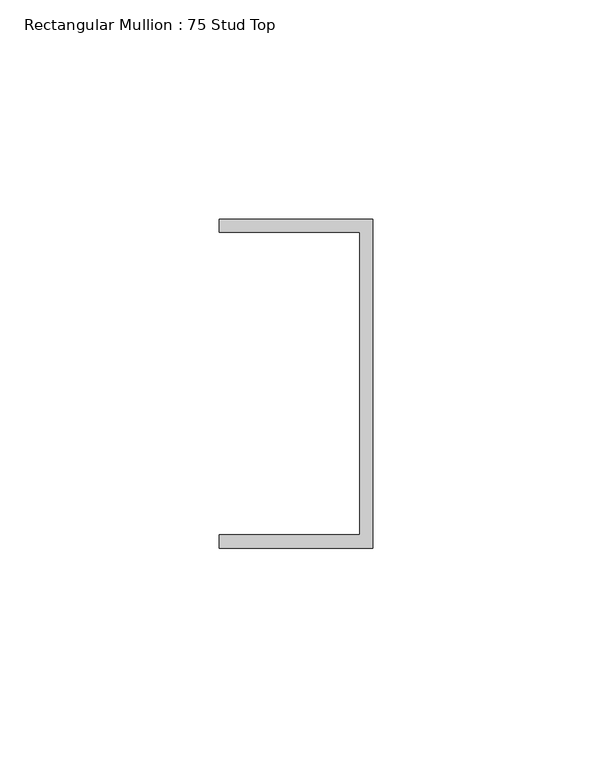
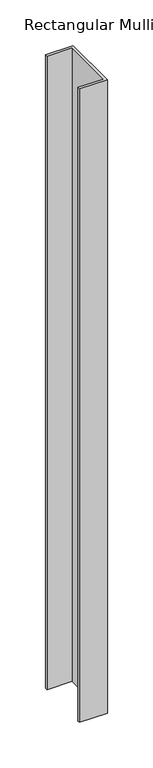
"""IFC4 building model written with IfcOpenShell, lengths in millimetres: member geometry, Rectangular Mullion : 75 Stud Top."""

from ifc_helpers import new_model, si_unit, frame, origin, place, context, project, spatial, polyline, outline, extrude, source, transform, mapped, element, save


def rectangular_mullion_75_stud_top_e6c7996d(model_context):
    return source(origin(), model_context, "Body", "SweptSolid", [
        extrude(outline(polyline([(17.5, 37.5), (17.5, -37.5), (-17.5, -37.5), (-17.5, -34.5), (14.5, -34.5), (14.5, 34.5), (-17.5, 34.5), (-17.5, 37.5), (17.5, 37.5)])), frame((0.0, 0.0, -847.5), z_axis=(0.0, 0.0, 1.0), x_axis=(1.0, 0.0, 0.0)), (0.0, 0.0, 1.0), 847.5),
    ])


if __name__ == "__main__":
    model = new_model("IFC4")
    model_context = context("Model", 3, world=origin())
    ifc_project = project(units=[si_unit("LENGTHUNIT", "METRE", prefix="MILLI")], contexts=[model_context])
    site = spatial("IfcSite", under=ifc_project)
    building = spatial("IfcBuilding", under=site)
    placement = place(None, origin())
    rectangular_mullion_75_stud_top_shape = rectangular_mullion_75_stud_top_e6c7996d(model_context)
    element("IfcMember", 1, ObjectType="Rectangular Mullion : 75 Stud Top", at=placement, inside=building, context=model_context, shape_type="MappedRepresentation", body=[
        mapped(rectangular_mullion_75_stud_top_shape, transform((0.0, 0.0, 0.0), x_axis=(1.0, 0.0, 0.0), y_axis=(0.0, 1.0, 0.0), z_axis=(0.0, 0.0, 1.0))),
    ])
    save(model, "model.ifc")
